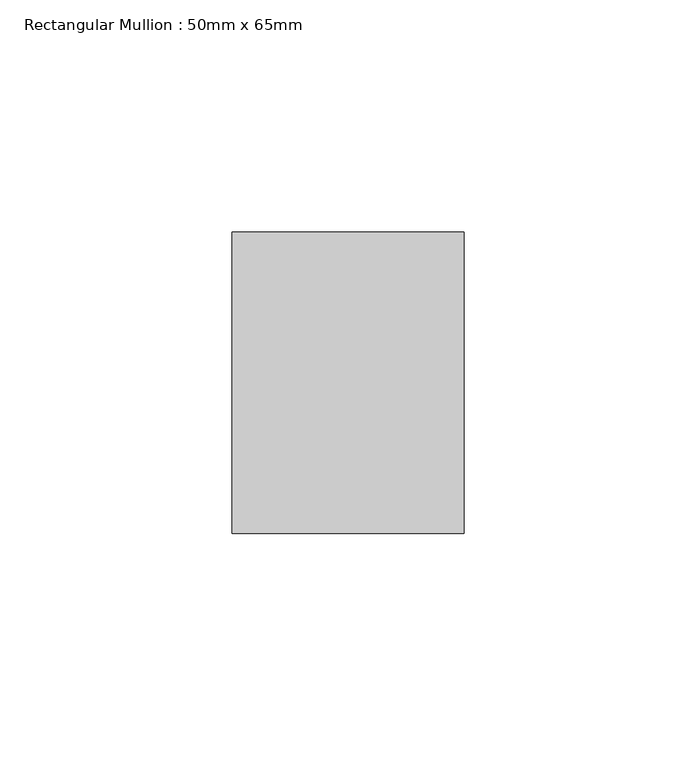
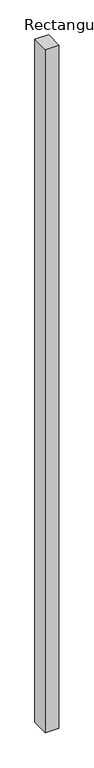
"""IFC4 building model written with IfcOpenShell, lengths in millimetres: member geometry, Rectangular Mullion : 50mm x 65mm."""

from ifc_helpers import new_model, si_unit, frame, origin, place, context, project, spatial, polyline, outline, extrude, source, transform, mapped, element, save


def rectangular_mullion_50mm_x_65mm_05d23b97(model_context):
    return source(origin(), model_context, "Body", "SweptSolid", [
        extrude(outline(polyline([(25.0, 32.5), (25.0, -32.5), (-25.0, -32.5), (-25.0, 32.5), (25.0, 32.5)])), frame((0.0, 0.0, -2625.0747902), z_axis=(0.0, 0.0, 1.0), x_axis=(1.0, 0.0, 0.0)), (0.0, 0.0, 1.0), 2625.0747902),
    ])


if __name__ == "__main__":
    model = new_model("IFC4")
    model_context = context("Model", 3, world=origin())
    ifc_project = project(units=[si_unit("LENGTHUNIT", "METRE", prefix="MILLI")], contexts=[model_context])
    site = spatial("IfcSite", under=ifc_project)
    building = spatial("IfcBuilding", under=site)
    placement = place(None, origin())
    rectangular_mullion_50mm_x_65mm_shape = rectangular_mullion_50mm_x_65mm_05d23b97(model_context)
    element("IfcMember", 1, ObjectType="Rectangular Mullion : 50mm x 65mm", at=placement, inside=building, context=model_context, shape_type="MappedRepresentation", body=[
        mapped(rectangular_mullion_50mm_x_65mm_shape, transform((0.0, 0.0, 0.0), x_axis=(1.0, 0.0, 0.0), y_axis=(0.0, 1.0, 0.0), z_axis=(0.0, 0.0, 1.0))),
    ])
    save(model, "model.ifc")
